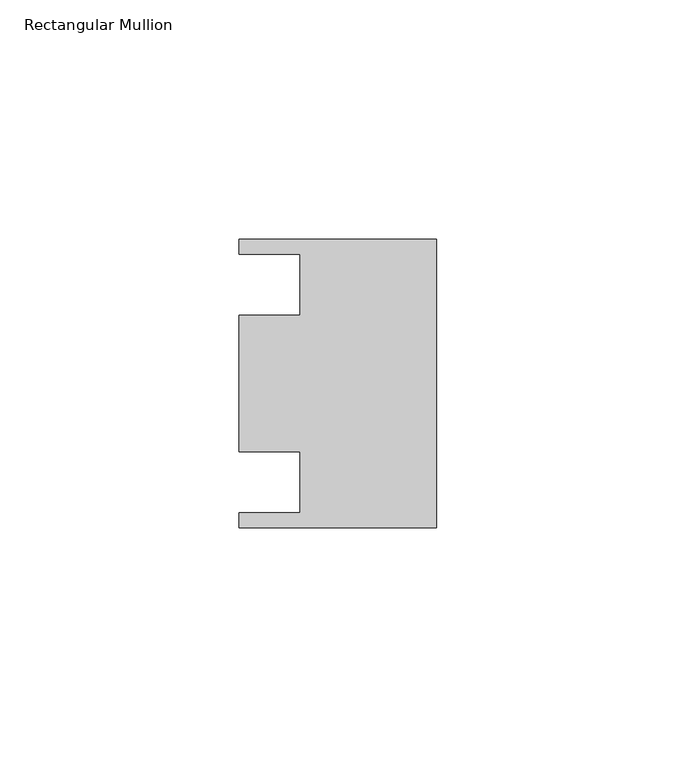
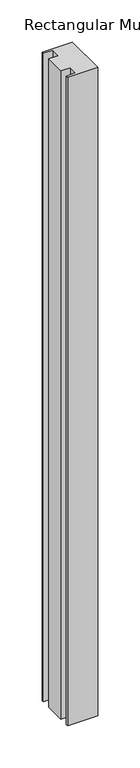
"""IFC4 building model written with IfcOpenShell, lengths in millimetres: member geometry, Rectangular Mullion."""

from ifc_helpers import new_model, si_unit, frame, origin, place, context, project, spatial, polyline, outline, extrude, source, transform, mapped, element, save


def rectangular_mullion_ed5ea790(model_context):
    return source(origin(), model_context, "Body", "SweptSolid", [
        extrude(outline(polyline([(0.0, 30.1625), (0.0, -30.1625), (-41.275, -30.1625), (-41.275, -26.9875), (-28.575, -26.9875), (-28.575, -14.2875), (-41.275, -14.2875), (-41.275, 14.2875), (-28.575, 14.2875), (-28.575, 26.9875), (-41.275, 26.9875), (-41.275, 30.1625), (0.0, 30.1625)])), frame((0.0, 0.0, -939.8), z_axis=(0.0, 0.0, 1.0), x_axis=(1.0, 0.0, 0.0)), (0.0, 0.0, 1.0), 939.8),
    ])


if __name__ == "__main__":
    model = new_model("IFC4")
    model_context = context("Model", 3, world=origin())
    ifc_project = project(units=[si_unit("LENGTHUNIT", "METRE", prefix="MILLI")], contexts=[model_context])
    site = spatial("IfcSite", under=ifc_project)
    building = spatial("IfcBuilding", under=site)
    placement = place(None, origin())
    rectangular_mullion_shape = rectangular_mullion_ed5ea790(model_context)
    element("IfcMember", 1, ObjectType="Rectangular Mullion", at=placement, inside=building, context=model_context, shape_type="MappedRepresentation", body=[
        mapped(rectangular_mullion_shape, transform((0.0, 0.0, 0.0), x_axis=(1.0, 0.0, 0.0), y_axis=(0.0, 1.0, 0.0), z_axis=(0.0, 0.0, 1.0))),
    ])
    save(model, "model.ifc")
